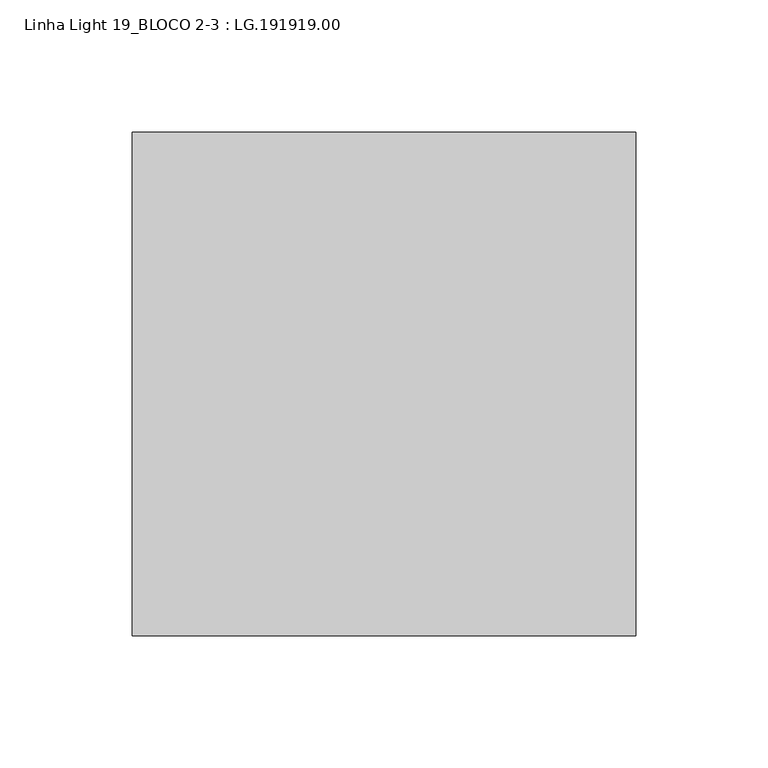
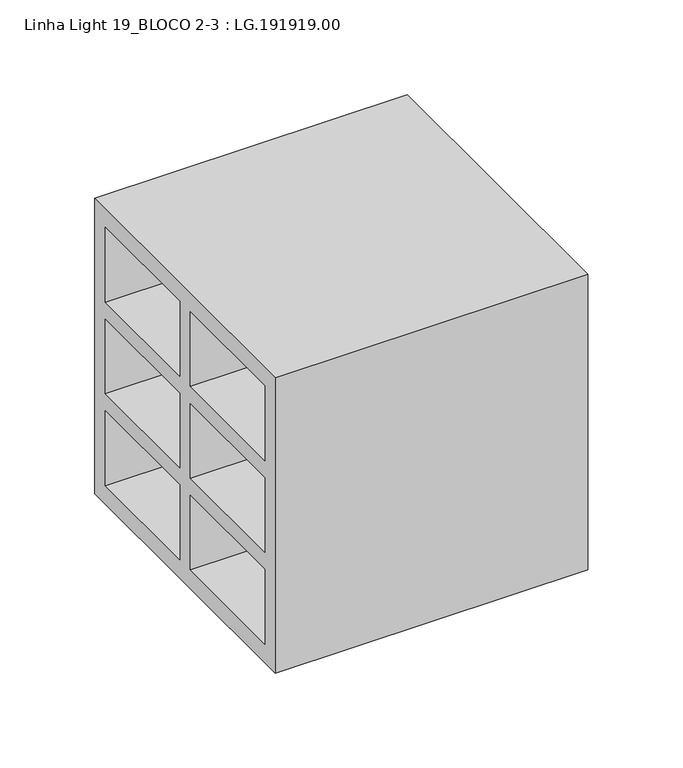
"""IFC4 building model written with IfcOpenShell, lengths in millimetres: proxy geometry, Linha Light 19_BLOCO 2-3 : LG.191919.00."""

from ifc_helpers import new_model, si_unit, frame, origin, place, context, project, spatial, polyline, outline, extrude, source, transform, mapped, element, save


def linha_light_19_bloco_2_3_lg_191919_00_00312407(model_context):
    return source(origin(), model_context, "Body", "SweptSolid", [
        extrude(outline(polyline([(-95.0, 0.0), (-95.0, 190.0), (95.0, 190.0), (95.0, 0.0), (-95.0, 0.0)]), holes=[polyline([(5.5, 178.0), (5.5, 130.0), (84.0, 130.0), (84.0, 178.0), (5.5, 178.0)]), polyline([(-84.0, 178.0), (-84.0, 130.0), (-5.5, 130.0), (-5.5, 178.0), (-84.0, 178.0)]), polyline([(-5.5, 119.0), (-84.0, 119.0), (-84.0, 71.0), (-5.5, 71.0), (-5.5, 119.0)]), polyline([(84.0, 71.0), (84.0, 119.0), (5.5, 119.0), (5.5, 71.0), (84.0, 71.0)]), polyline([(84.0, 60.0), (5.5, 60.0), (5.5, 12.0), (84.0, 12.0), (84.0, 60.0)]), polyline([(-5.5, 60.0), (-84.0, 60.0), (-84.0, 12.0), (-5.5, 12.0), (-5.5, 60.0)])]), frame((5.0, 0.0, 0.0), z_axis=(1.0, 0.0, 0.0), x_axis=(0.0, 1.0, 0.0)), (0.0, 0.0, 1.0), 190.0),
    ])


if __name__ == "__main__":
    model = new_model("IFC4")
    model_context = context("Model", 3, world=origin())
    ifc_project = project(units=[si_unit("LENGTHUNIT", "METRE", prefix="MILLI")], contexts=[model_context])
    site = spatial("IfcSite", under=ifc_project)
    building = spatial("IfcBuilding", under=site)
    placement = place(None, origin())
    linha_light_19_bloco_2_3_lg_191919_00_shape = linha_light_19_bloco_2_3_lg_191919_00_00312407(model_context)
    element("IfcBuildingElementProxy", 1, Name="Linha Light 19_BLOCO 2-3 : LG.191919.00", ObjectType="Linha Light 19_BLOCO 2-3 : LG.191919.00", at=placement, inside=building, context=model_context, shape_type="MappedRepresentation", body=[
        mapped(linha_light_19_bloco_2_3_lg_191919_00_shape, transform((0.0, 0.0, 0.0), x_axis=(1.0, 0.0, 0.0), y_axis=(0.0, 1.0, 0.0), z_axis=(0.0, 0.0, 1.0))),
    ])
    save(model, "model.ifc")
